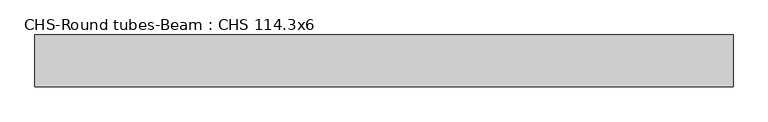
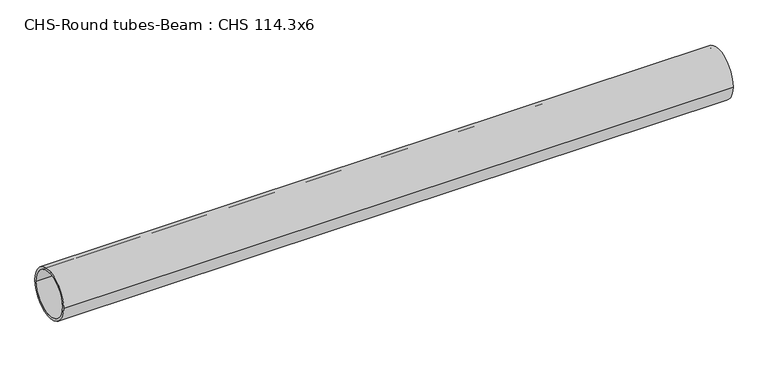
"""IFC4 building model written with IfcOpenShell, lengths in millimetres: beam geometry, CHS-Round tubes-Beam : CHS 114.3x6."""

from ifc_helpers import new_model, si_unit, point, frame, origin, origin_2d, place, context, project, spatial, circle_curve, trimmed, segment, composite_curve, outline, extrude, source, transform, mapped, element, save


def chs_round_tubes_beam_chs_114_3x6_3538bf9a(model_context):
    return source(origin(), model_context, "Body", "SweptSolid", [
        extrude(outline(composite_curve([segment(trimmed(circle_curve(origin_2d(), 57.15), [point((57.15, 0.0))], [point((-57.15, 0.0))], False, "CARTESIAN"), True, "CONTINUOUS"), segment(trimmed(circle_curve(origin_2d(), 57.15), [point((-57.15, 0.0))], [point((57.15, 0.0))], False, "CARTESIAN"), True, "CONTINUOUS")], self_intersect=False), holes=[composite_curve([segment(trimmed(circle_curve(origin_2d(), 51.15), [point((51.15, 0.0))], [point((-51.15, 0.0))], True, "CARTESIAN"), True, "CONTINUOUS"), segment(trimmed(circle_curve(origin_2d(), 51.15), [point((-51.15, 0.0))], [point((51.15, 0.0))], True, "CARTESIAN"), True, "CONTINUOUS")], self_intersect=False)]), frame((-742.1420999, 0.0, 0.0), z_axis=(1.0, 0.0, 0.0), x_axis=(0.0, 1.0, 0.0)), (0.0, 0.0, 1.0), 1537.0875893),
    ])


if __name__ == "__main__":
    model = new_model("IFC4")
    model_context = context("Model", 3, world=origin())
    ifc_project = project(units=[si_unit("LENGTHUNIT", "METRE", prefix="MILLI")], contexts=[model_context])
    site = spatial("IfcSite", under=ifc_project)
    building = spatial("IfcBuilding", under=site)
    placement = place(None, origin())
    chs_round_tubes_beam_chs_114_3x6_shape = chs_round_tubes_beam_chs_114_3x6_3538bf9a(model_context)
    element("IfcBeam", 1, ObjectType="CHS-Round tubes-Beam : CHS 114.3x6", at=placement, inside=building, context=model_context, shape_type="MappedRepresentation", body=[
        mapped(chs_round_tubes_beam_chs_114_3x6_shape, transform((0.0, 0.0, 0.0), x_axis=(1.0, 0.0, 0.0), y_axis=(0.0, 1.0, 0.0), z_axis=(0.0, 0.0, 1.0))),
    ])
    save(model, "model.ifc")
